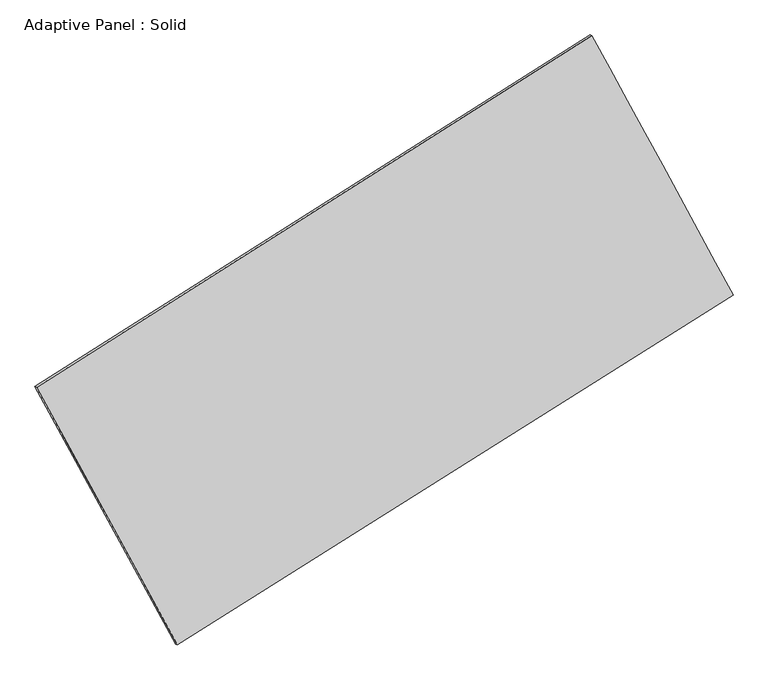
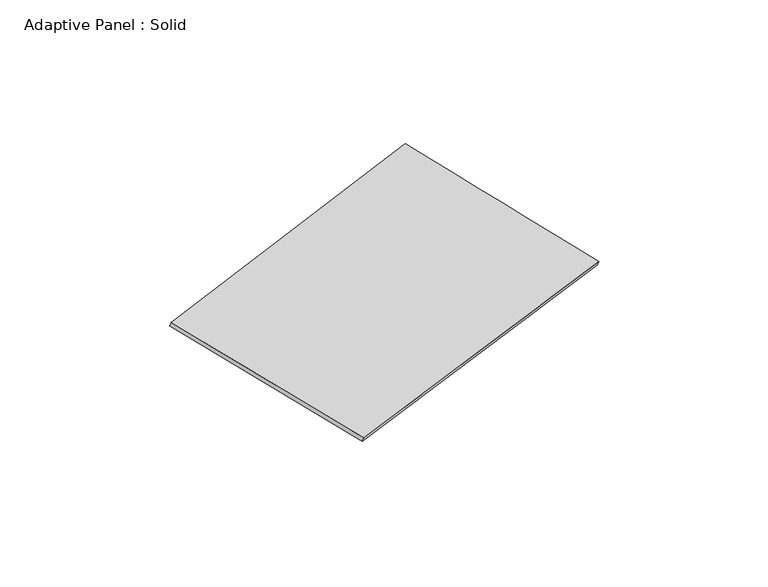
"""IFC4 building model written with IfcOpenShell, lengths in millimetres: plate geometry, Adaptive Panel : Solid."""

import ifcopenshell
import ifcopenshell.guid

model = None  # the IFC model being written
_history = None  # IfcOwnerHistory: only IFC2X3 demands one
_inside = {}  # id of a spatial element -> (the spatial element, [elements in it])
_under = {}  # id of a project, library or spatial element -> (it, [spatial elements below it])
_declared = {}  # id of a project -> (the project, [libraries it declares])
_typed = {}  # id of a type object -> (the type object, [elements of that type])
_made_of = {}  # id of a material, layer set ... -> (it, [elements and type objects made of it])


def new_model(schema):
    """Start an empty IFC model of exactly this schema.

    Asked for "IFC4X3", IfcOpenShell would pick the latest addendum, in which some entities
    have other attributes; the version numbers below select the first issue.
    IFC2X3 requires an IfcOwnerHistory on every rooted entity: one is made here for all.
    """
    global model, _history
    if schema == "IFC4X3":
        model = ifcopenshell.file(schema_version=(4, 3, 0, 0))
    else:
        model = ifcopenshell.file(schema=schema)
    _inside.clear()
    _under.clear()
    _declared.clear()
    _typed.clear()
    _made_of.clear()
    _history = None
    if model.schema == "IFC2X3":
        org = make("IfcOrganization", Name="unknown")
        user = make(
            "IfcPersonAndOrganization",
            ThePerson=make("IfcPerson", FamilyName="unknown"),
            TheOrganization=org,
        )
        app = make(
            "IfcApplication",
            ApplicationDeveloper=org,
            Version="unknown",
            ApplicationFullName="unknown",
            ApplicationIdentifier="unknown",
        )
        _history = make(
            "IfcOwnerHistory",
            OwningUser=user,
            OwningApplication=app,
            ChangeAction="ADDED",
            CreationDate=0,
        )
    return model


def make(cls, **values):
    """One entity of the class cls with the attributes given. An attribute that is None is left unset."""
    return model.create_entity(
        cls, **{name: value for name, value in values.items() if value is not None}
    )


def rooted(cls, **values):
    """An entity with a GlobalId (a new one), such as an element, a storey or a relation."""
    return make(cls, GlobalId=ifcopenshell.guid.new(), OwnerHistory=_history, **values)


def si_unit(unit_type, name, prefix=None):
    """IfcSIUnit, for example si_unit("LENGTHUNIT", "METRE", prefix="MILLI")."""
    return make("IfcSIUnit", UnitType=unit_type, Prefix=prefix, Name=name)


def assignment(units):
    """IfcUnitAssignment: the units of a project."""
    return None if units is None else make("IfcUnitAssignment", Units=units)


def point(xyz):
    """IfcCartesianPoint."""
    return None if xyz is None else make("IfcCartesianPoint", Coordinates=xyz)


def direction(xyz):
    """IfcDirection."""
    return None if xyz is None else make("IfcDirection", DirectionRatios=xyz)


def frame(location, z_axis=None, x_axis=None):
    """IfcAxis2Placement3D, a coordinate frame: its origin and axes. An axis left out is left unset."""
    return make(
        "IfcAxis2Placement3D",
        Location=point(location),
        Axis=direction(z_axis),
        RefDirection=direction(x_axis),
    )


def origin():
    """The frame at (0, 0, 0) with its axes left unset."""
    return frame((0.0, 0.0, 0.0))


def place(relative_to, where):
    """IfcLocalPlacement: puts the frame where relative to a parent placement (None: the world)."""
    return make(
        "IfcLocalPlacement", PlacementRelTo=relative_to, RelativePlacement=where
    )


def context(
    kind, dimensions, precision=None, world=None, true_north=None, identifier=None
):
    """IfcGeometricRepresentationContext, for example the 3D "Model" context."""
    return make(
        "IfcGeometricRepresentationContext",
        ContextIdentifier=identifier,
        ContextType=kind,
        CoordinateSpaceDimension=dimensions,
        Precision=precision,
        WorldCoordinateSystem=world,
        TrueNorth=true_north,
    )


def project(units=None, contexts=None):
    """IfcProject with its units and contexts."""
    return rooted(
        "IfcProject",
        Name="project",
        RepresentationContexts=contexts,
        UnitsInContext=assignment(units),
    )


def spatial(cls, under=None, at=None, **own):
    """A site, building, storey or space (cls), placed at a placement, below another one or the project."""
    s = rooted(cls, ObjectPlacement=at, **own)
    if under is not None:
        _under.setdefault(under.id(), (under, []))[1].append(s)
    return s


def shape(context_of_items, identifier, shape_type, items):
    """IfcShapeRepresentation: the items that make up one representation, for example the "Body"."""
    return make(
        "IfcShapeRepresentation",
        ContextOfItems=context_of_items,
        RepresentationIdentifier=identifier,
        RepresentationType=shape_type,
        Items=items,
    )


def source(mapping_origin, context_of_items, identifier, shape_type, items):
    """IfcRepresentationMap: a shape defined once, which mapped items show again and again."""
    return make(
        "IfcRepresentationMap",
        MappingOrigin=mapping_origin,
        MappedRepresentation=shape(context_of_items, identifier, shape_type, items),
    )


def transform(
    local_origin,
    x_axis=None,
    y_axis=None,
    z_axis=None,
    scale=None,
    scale2=None,
    scale3=None,
    uniform=True,
):
    """IfcCartesianTransformationOperator3D, or its non-uniform kind. x_axis, y_axis, z_axis: its Axis1, 2, 3."""
    if uniform:
        return make(
            "IfcCartesianTransformationOperator3D",
            Axis1=direction(x_axis),
            Axis2=direction(y_axis),
            LocalOrigin=point(local_origin),
            Scale=scale,
            Axis3=direction(z_axis),
        )
    return make(
        "IfcCartesianTransformationOperator3DnonUniform",
        Axis1=direction(x_axis),
        Axis2=direction(y_axis),
        LocalOrigin=point(local_origin),
        Scale=scale,
        Axis3=direction(z_axis),
        Scale2=scale2,
        Scale3=scale3,
    )


def mapped(mapping_source, mapping_target):
    """IfcMappedItem: shows the shape of a source again, moved by a transform."""
    return make(
        "IfcMappedItem", MappingSource=mapping_source, MappingTarget=mapping_target
    )


def made_of(thing, what):
    """Note that an element or type object is made of a material, layer set ...; save() writes the relation."""
    if what is not None:
        _made_of.setdefault(what.id(), (what, []))[1].append(thing)
    return thing


def element(
    cls,
    number,
    at=None,
    inside=None,
    cuts=None,
    type_object=None,
    material=None,
    context=None,
    identifier="Body",
    shape_type=None,
    held_by="IfcProductDefinitionShape",
    body=None,
    shapes=None,
    **own,
):
    """One element of the class cls, such as IfcWall. Its Tag is "e" and its number.

    at: its placement. inside: the storey or other place that contains it. cuts: it is an
    opening in that element (IfcRelVoidsElement). A single representation is given by context,
    identifier, shape_type and body (its items); several are given by shapes. held_by: the class
    of the entity that holds the representations. save() writes the other relations.
    """
    e = rooted(cls, Tag="e%d" % number, ObjectPlacement=at, **own)
    if body is not None:
        shapes = [shape(context, identifier, shape_type, body)]
    if shapes is not None:
        e.Representation = make(held_by, Representations=shapes)
    if inside is not None:
        _inside.setdefault(inside.id(), (inside, []))[1].append(e)
    if cuts is not None:
        rooted(
            "IfcRelVoidsElement", RelatingBuildingElement=cuts, RelatedOpeningElement=e
        )
    if type_object is not None:
        _typed.setdefault(type_object.id(), (type_object, []))[1].append(e)
    return made_of(e, material)


def aggregate(whole, parts):
    """IfcRelAggregates: a whole, such as a stair, and the parts it consists of."""
    return rooted("IfcRelAggregates", RelatingObject=whole, RelatedObjects=parts)


def save(model, path):
    """Write the relations noted so far, then the file.

    IfcRelAggregates (storeys below a building ...), IfcRelContainedInSpatialStructure (elements
    in a storey), IfcRelDefinesByType, IfcRelAssociatesMaterial and IfcRelDeclares: one each for
    every whole, place, type object, material and project.
    """
    for whole, parts in _under.values():
        aggregate(whole, parts)
    for where, things in _inside.values():
        rooted(
            "IfcRelContainedInSpatialStructure",
            RelatedElements=things,
            RelatingStructure=where,
        )
    for kind, things in _typed.values():
        rooted("IfcRelDefinesByType", RelatedObjects=things, RelatingType=kind)
    for what, things in _made_of.values():
        rooted("IfcRelAssociatesMaterial", RelatedObjects=things, RelatingMaterial=what)
    for by, libraries in _declared.values():
        rooted("IfcRelDeclares", RelatingContext=by, RelatedDefinitions=libraries)
    model.write(path)


def plane_surface(at):
    """IfcPlane: the flat surface through the origin of the frame at, square to its z axis."""
    return make("IfcPlane", Position=at)


def spline_surface(u_degree, v_degree, points, u_multiplicities, v_multiplicities, u_knots, v_knots, weights=None):
    """IfcBSplineSurfaceWithKnots; with weights, IfcRationalBSplineSurfaceWithKnots. points: one row for each step in u."""
    own = dict(
        UDegree=u_degree,
        VDegree=v_degree,
        ControlPointsList=[[point(p) for p in row] for row in points],
        SurfaceForm="UNSPECIFIED",
        UClosed=False,
        VClosed=False,
        SelfIntersect=False,
        UMultiplicities=u_multiplicities,
        VMultiplicities=v_multiplicities,
        UKnots=u_knots,
        VKnots=v_knots,
        KnotSpec="UNSPECIFIED",
    )
    if weights is None:
        return make("IfcBSplineSurfaceWithKnots", **own)
    return make("IfcRationalBSplineSurfaceWithKnots", WeightsData=weights, **own)


def advanced_brep(points, edges, surfaces, faces):
    """IfcAdvancedBrep: a solid bounded by faces that lie on surfaces and meet in shared edges.

    An edge is (start, end): straight between two places in points (the first is 0);
    or (start, end, curve); or (start, end, curve, False) where it runs against its curve.
    A face is (place in surfaces, loops), or (place, loops, False) where it looks against
    its surface's normal. A loop lists edges by number (the first is 1), with a minus sign
    where the edge is run from its end to its start. The first loop is the outer one.
    """
    corners = [point(p) for p in points]
    vertices = [make("IfcVertexPoint", VertexGeometry=c) for c in corners]
    made = []
    for start, end, *more in edges:
        made.append(
            make(
                "IfcEdgeCurve",
                EdgeStart=vertices[start],
                EdgeEnd=vertices[end],
                EdgeGeometry=more[0] if more else make("IfcPolyline", Points=[corners[start], corners[end]]),
                SameSense=more[1] if len(more) > 1 else True,
            )
        )
    hull = []
    for where, loops, *sense in faces:
        bounds = []
        for j, loop in enumerate(loops):
            ring = [make("IfcOrientedEdge", EdgeElement=made[abs(k) - 1], Orientation=k > 0) for k in loop]
            bounds.append(
                make(
                    "IfcFaceOuterBound" if j == 0 else "IfcFaceBound",
                    Bound=make("IfcEdgeLoop", EdgeList=ring),
                    Orientation=True,
                )
            )
        hull.append(make("IfcAdvancedFace", Bounds=bounds, FaceSurface=surfaces[where], SameSense=sense[0] if sense else True))
    return make("IfcAdvancedBrep", Outer=make("IfcClosedShell", CfsFaces=hull))


def adaptive_panel_solid_1b9c5266(model_context):
    return source(origin(), model_context, "Body", "AdvancedBrep", [
        advanced_brep(
        [(1172.0542338, 2586.3256392, 673.6763506), (-3714.4813757, -511.6867948, 1759.3472401), (-3699.8150199, -518.0668883, 1806.7201481), (1186.7205896, 2579.9455457, 721.0492586), (-2475.0779977, -2778.9533197, 1080.2577279), (-2460.4116418, -2785.3334132, 1127.630636), (2414.2145615, 304.0659025, -28.1587984), (2428.8809173, 297.685809, 19.2141096)],
        [
            (0, 1),
            (1, 2),
            (2, 3),
            (3, 0),
            (1, 4),
            (4, 5),
            (5, 2),
            (4, 6),
            (6, 7),
            (7, 5),
            (6, 0),
            (3, 7),
        ],
        [
            plane_surface(frame((-1271.213571, 1037.3194222, 1216.5117954), z_axis=(-0.47507982363942636, 0.8405650513711385, 0.26028744799580156), x_axis=(-0.830081374529171, -0.5262629038344989, 0.18442415163812745))),
            plane_surface(frame((-3094.7796867, -1645.3200573, 1419.802484), z_axis=(-0.8364855949178578, -0.5140944174486577, 0.18973344313284174), x_axis=(0.46390715657024184, -0.8486350654107129, -0.2541823672843347))),
            plane_surface(frame((-30.4317181, -1237.4437086, 526.0494647), z_axis=(0.47228147983647517, -0.8423343790013866, -0.25965938796010746), x_axis=(0.8307392943992766, 0.5238355411005907, -0.18833096033537158))),
            plane_surface(frame((1793.1343976, 1445.1957708, 322.7587761), z_axis=(0.8366723218144358, 0.5137520838143773, -0.189837357456393), x_axis=(-0.46150999265793374, 0.8479466384628299, 0.26075855689978983))),
            spline_surface(1, 1, [[(-3699.8150199, -518.0668883, 1806.7201481), (1186.7205896, 2579.9455457, 721.0492586)], [(-2460.4116418, -2785.3334132, 1127.630636), (2428.8809173, 297.685809, 19.2141096)]], [2, 2], [2, 2], [0.0, 1.0], [0.0, 1.0]),
            spline_surface(1, 1, [[(2414.2145615, 304.0659025, -28.1587984), (1172.0542338, 2586.3256392, 673.6763506)], [(-2475.0779977, -2778.9533197, 1080.2577279), (-3714.4813757, -511.6867948, 1759.3472401)]], [2, 2], [2, 2], [0.0, 1.0], [0.0, 1.0]),
        ],
        [
            (0, [[1, 2, 3, 4]]),
            (1, [[5, 6, 7, -2]]),
            (2, [[8, 9, 10, -6]]),
            (3, [[11, -4, 12, -9]]),
            (4, [[-3, -7, -10, -12]]),
            (5, [[-11, -8, -5, -1]]),
        ],
    ),
    ])


if __name__ == "__main__":
    model = new_model("IFC4")
    model_context = context("Model", 3, world=origin())
    ifc_project = project(units=[si_unit("LENGTHUNIT", "METRE", prefix="MILLI")], contexts=[model_context])
    site = spatial("IfcSite", under=ifc_project)
    building = spatial("IfcBuilding", under=site)
    placement = place(None, origin())
    adaptive_panel_solid_shape = adaptive_panel_solid_1b9c5266(model_context)
    element("IfcPlate", 1, ObjectType="Adaptive Panel : Solid", at=placement, inside=building, context=model_context, shape_type="MappedRepresentation", body=[
        mapped(adaptive_panel_solid_shape, transform((0.0, 0.0, 0.0), x_axis=(1.0, 0.0, 0.0), y_axis=(0.0, 1.0, 0.0), z_axis=(0.0, 0.0, 1.0))),
    ])
    save(model, "model.ifc")
